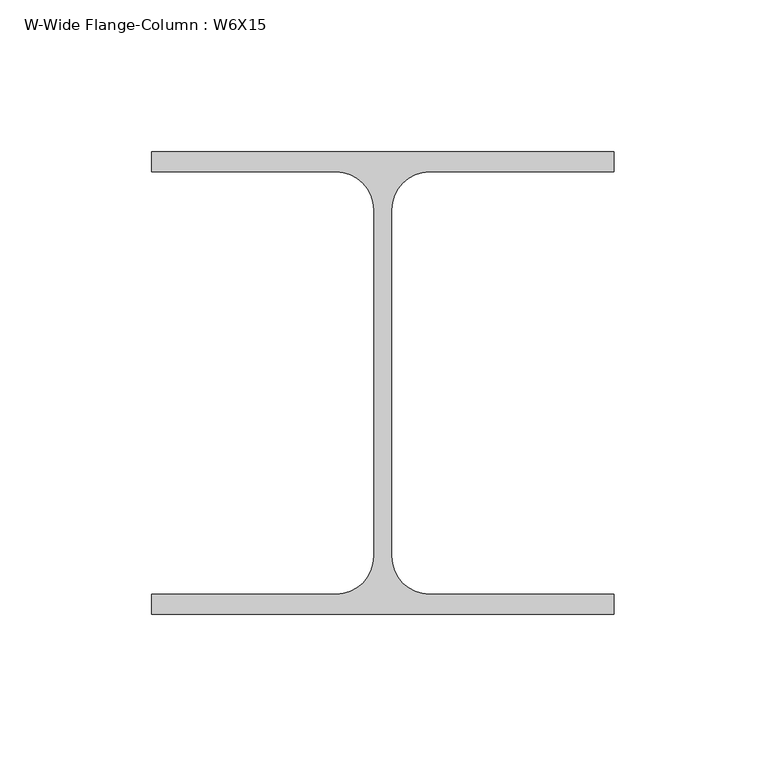
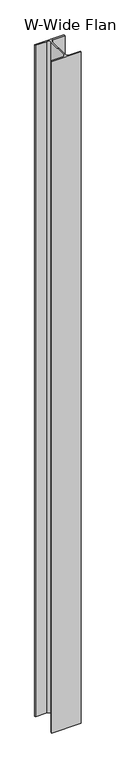
"""IFC4 building model written with IfcOpenShell, lengths in millimetres: column geometry, W-Wide Flange-Column : W6X15."""

import ifcopenshell
import ifcopenshell.guid

model = None  # the IFC model being written
_history = None  # IfcOwnerHistory: only IFC2X3 demands one
_inside = {}  # id of a spatial element -> (the spatial element, [elements in it])
_under = {}  # id of a project, library or spatial element -> (it, [spatial elements below it])
_declared = {}  # id of a project -> (the project, [libraries it declares])
_typed = {}  # id of a type object -> (the type object, [elements of that type])
_made_of = {}  # id of a material, layer set ... -> (it, [elements and type objects made of it])


def new_model(schema):
    """Start an empty IFC model of exactly this schema.

    Asked for "IFC4X3", IfcOpenShell would pick the latest addendum, in which some entities
    have other attributes; the version numbers below select the first issue.
    IFC2X3 requires an IfcOwnerHistory on every rooted entity: one is made here for all.
    """
    global model, _history
    if schema == "IFC4X3":
        model = ifcopenshell.file(schema_version=(4, 3, 0, 0))
    else:
        model = ifcopenshell.file(schema=schema)
    _inside.clear()
    _under.clear()
    _declared.clear()
    _typed.clear()
    _made_of.clear()
    _history = None
    if model.schema == "IFC2X3":
        org = make("IfcOrganization", Name="unknown")
        user = make(
            "IfcPersonAndOrganization",
            ThePerson=make("IfcPerson", FamilyName="unknown"),
            TheOrganization=org,
        )
        app = make(
            "IfcApplication",
            ApplicationDeveloper=org,
            Version="unknown",
            ApplicationFullName="unknown",
            ApplicationIdentifier="unknown",
        )
        _history = make(
            "IfcOwnerHistory",
            OwningUser=user,
            OwningApplication=app,
            ChangeAction="ADDED",
            CreationDate=0,
        )
    return model


def make(cls, **values):
    """One entity of the class cls with the attributes given. An attribute that is None is left unset."""
    return model.create_entity(
        cls, **{name: value for name, value in values.items() if value is not None}
    )


def rooted(cls, **values):
    """An entity with a GlobalId (a new one), such as an element, a storey or a relation."""
    return make(cls, GlobalId=ifcopenshell.guid.new(), OwnerHistory=_history, **values)


def si_unit(unit_type, name, prefix=None):
    """IfcSIUnit, for example si_unit("LENGTHUNIT", "METRE", prefix="MILLI")."""
    return make("IfcSIUnit", UnitType=unit_type, Prefix=prefix, Name=name)


def assignment(units):
    """IfcUnitAssignment: the units of a project."""
    return None if units is None else make("IfcUnitAssignment", Units=units)


def point(xyz):
    """IfcCartesianPoint."""
    return None if xyz is None else make("IfcCartesianPoint", Coordinates=xyz)


def direction(xyz):
    """IfcDirection."""
    return None if xyz is None else make("IfcDirection", DirectionRatios=xyz)


def frame(location, z_axis=None, x_axis=None):
    """IfcAxis2Placement3D, a coordinate frame: its origin and axes. An axis left out is left unset."""
    return make(
        "IfcAxis2Placement3D",
        Location=point(location),
        Axis=direction(z_axis),
        RefDirection=direction(x_axis),
    )


def frame_2d(location, x_axis=None):
    """IfcAxis2Placement2D, a coordinate frame in the plane: its origin and x axis."""
    return make(
        "IfcAxis2Placement2D", Location=point(location), RefDirection=direction(x_axis)
    )


def origin():
    """The frame at (0, 0, 0) with its axes left unset."""
    return frame((0.0, 0.0, 0.0))


def place(relative_to, where):
    """IfcLocalPlacement: puts the frame where relative to a parent placement (None: the world)."""
    return make(
        "IfcLocalPlacement", PlacementRelTo=relative_to, RelativePlacement=where
    )


def context(
    kind, dimensions, precision=None, world=None, true_north=None, identifier=None
):
    """IfcGeometricRepresentationContext, for example the 3D "Model" context."""
    return make(
        "IfcGeometricRepresentationContext",
        ContextIdentifier=identifier,
        ContextType=kind,
        CoordinateSpaceDimension=dimensions,
        Precision=precision,
        WorldCoordinateSystem=world,
        TrueNorth=true_north,
    )


def project(units=None, contexts=None):
    """IfcProject with its units and contexts."""
    return rooted(
        "IfcProject",
        Name="project",
        RepresentationContexts=contexts,
        UnitsInContext=assignment(units),
    )


def spatial(cls, under=None, at=None, **own):
    """A site, building, storey or space (cls), placed at a placement, below another one or the project."""
    s = rooted(cls, ObjectPlacement=at, **own)
    if under is not None:
        _under.setdefault(under.id(), (under, []))[1].append(s)
    return s


def polyline(points):
    """IfcPolyline through the points."""
    return make("IfcPolyline", Points=[point(p) for p in points])


def circle_curve(where, radius):
    """IfcCircle in the frame where."""
    return make("IfcCircle", Position=where, Radius=radius)


def trimmed(basis, trim1, trim2, sense, master):
    """IfcTrimmedCurve: the piece of a basis curve between two trims."""
    return make(
        "IfcTrimmedCurve",
        BasisCurve=basis,
        Trim1=trim1,
        Trim2=trim2,
        SenseAgreement=sense,
        MasterRepresentation=master,
    )


def segment(curve, same_sense, transition):
    """IfcCompositeCurveSegment."""
    return make(
        "IfcCompositeCurveSegment",
        Transition=transition,
        SameSense=same_sense,
        ParentCurve=curve,
    )


def composite_curve(segments, self_intersect=None):
    """IfcCompositeCurve: segments joined end to end."""
    return make("IfcCompositeCurve", Segments=segments, SelfIntersect=self_intersect)


def outline(outer, holes=None, kind="AREA"):
    """IfcArbitraryClosedProfileDef: a profile drawn as a closed curve; with holes, ...WithVoids."""
    if holes is None:
        return make("IfcArbitraryClosedProfileDef", ProfileType=kind, OuterCurve=outer)
    return make(
        "IfcArbitraryProfileDefWithVoids",
        ProfileType=kind,
        OuterCurve=outer,
        InnerCurves=holes,
    )


def extrude(swept, where, along, depth):
    """IfcExtrudedAreaSolid: the profile swept, set in the frame where, extruded along a direction by depth."""
    return make(
        "IfcExtrudedAreaSolid",
        SweptArea=swept,
        Position=where,
        ExtrudedDirection=direction(along),
        Depth=depth,
    )


def shape(context_of_items, identifier, shape_type, items):
    """IfcShapeRepresentation: the items that make up one representation, for example the "Body"."""
    return make(
        "IfcShapeRepresentation",
        ContextOfItems=context_of_items,
        RepresentationIdentifier=identifier,
        RepresentationType=shape_type,
        Items=items,
    )


def source(mapping_origin, context_of_items, identifier, shape_type, items):
    """IfcRepresentationMap: a shape defined once, which mapped items show again and again."""
    return make(
        "IfcRepresentationMap",
        MappingOrigin=mapping_origin,
        MappedRepresentation=shape(context_of_items, identifier, shape_type, items),
    )


def transform(
    local_origin,
    x_axis=None,
    y_axis=None,
    z_axis=None,
    scale=None,
    scale2=None,
    scale3=None,
    uniform=True,
):
    """IfcCartesianTransformationOperator3D, or its non-uniform kind. x_axis, y_axis, z_axis: its Axis1, 2, 3."""
    if uniform:
        return make(
            "IfcCartesianTransformationOperator3D",
            Axis1=direction(x_axis),
            Axis2=direction(y_axis),
            LocalOrigin=point(local_origin),
            Scale=scale,
            Axis3=direction(z_axis),
        )
    return make(
        "IfcCartesianTransformationOperator3DnonUniform",
        Axis1=direction(x_axis),
        Axis2=direction(y_axis),
        LocalOrigin=point(local_origin),
        Scale=scale,
        Axis3=direction(z_axis),
        Scale2=scale2,
        Scale3=scale3,
    )


def mapped(mapping_source, mapping_target):
    """IfcMappedItem: shows the shape of a source again, moved by a transform."""
    return make(
        "IfcMappedItem", MappingSource=mapping_source, MappingTarget=mapping_target
    )


def made_of(thing, what):
    """Note that an element or type object is made of a material, layer set ...; save() writes the relation."""
    if what is not None:
        _made_of.setdefault(what.id(), (what, []))[1].append(thing)
    return thing


def element(
    cls,
    number,
    at=None,
    inside=None,
    cuts=None,
    type_object=None,
    material=None,
    context=None,
    identifier="Body",
    shape_type=None,
    held_by="IfcProductDefinitionShape",
    body=None,
    shapes=None,
    **own,
):
    """One element of the class cls, such as IfcWall. Its Tag is "e" and its number.

    at: its placement. inside: the storey or other place that contains it. cuts: it is an
    opening in that element (IfcRelVoidsElement). A single representation is given by context,
    identifier, shape_type and body (its items); several are given by shapes. held_by: the class
    of the entity that holds the representations. save() writes the other relations.
    """
    e = rooted(cls, Tag="e%d" % number, ObjectPlacement=at, **own)
    if body is not None:
        shapes = [shape(context, identifier, shape_type, body)]
    if shapes is not None:
        e.Representation = make(held_by, Representations=shapes)
    if inside is not None:
        _inside.setdefault(inside.id(), (inside, []))[1].append(e)
    if cuts is not None:
        rooted(
            "IfcRelVoidsElement", RelatingBuildingElement=cuts, RelatedOpeningElement=e
        )
    if type_object is not None:
        _typed.setdefault(type_object.id(), (type_object, []))[1].append(e)
    return made_of(e, material)


def aggregate(whole, parts):
    """IfcRelAggregates: a whole, such as a stair, and the parts it consists of."""
    return rooted("IfcRelAggregates", RelatingObject=whole, RelatedObjects=parts)


def save(model, path):
    """Write the relations noted so far, then the file.

    IfcRelAggregates (storeys below a building ...), IfcRelContainedInSpatialStructure (elements
    in a storey), IfcRelDefinesByType, IfcRelAssociatesMaterial and IfcRelDeclares: one each for
    every whole, place, type object, material and project.
    """
    for whole, parts in _under.values():
        aggregate(whole, parts)
    for where, things in _inside.values():
        rooted(
            "IfcRelContainedInSpatialStructure",
            RelatedElements=things,
            RelatingStructure=where,
        )
    for kind, things in _typed.values():
        rooted("IfcRelDefinesByType", RelatedObjects=things, RelatingType=kind)
    for what, things in _made_of.values():
        rooted("IfcRelAssociatesMaterial", RelatedObjects=things, RelatingMaterial=what)
    for by, libraries in _declared.values():
        rooted("IfcRelDeclares", RelatingContext=by, RelatedDefinitions=libraries)
    model.write(path)


def w_wide_flange_column_w6x15_eb3079b5(model_context):
    return source(origin(), model_context, "Body", "SweptSolid", [
        extrude(outline(composite_curve([segment(polyline([(76.073, 76.073), (76.073, 69.469), (15.367, 69.469)]), True, "CONTINUOUS"), segment(trimmed(circle_curve(frame_2d((15.367, 57.023)), 12.446), [point((15.367, 69.469))], [point((2.921, 57.023))], True, "CARTESIAN"), True, "CONTINUOUS"), segment(polyline([(2.921, 57.023), (2.921, -57.023)]), True, "CONTINUOUS"), segment(trimmed(circle_curve(frame_2d((15.367, -57.023)), 12.446), [point((2.921, -57.023))], [point((15.367, -69.469))], True, "CARTESIAN"), True, "CONTINUOUS"), segment(polyline([(15.367, -69.469), (76.073, -69.469), (76.073, -76.073), (-76.073, -76.073), (-76.073, -69.469), (-15.367, -69.469)]), True, "CONTINUOUS"), segment(trimmed(circle_curve(frame_2d((-15.367, -57.023)), 12.446), [point((-15.367, -69.469))], [point((-2.921, -57.023))], True, "CARTESIAN"), True, "CONTINUOUS"), segment(polyline([(-2.921, -57.023), (-2.921, 57.023)]), True, "CONTINUOUS"), segment(trimmed(circle_curve(frame_2d((-15.367, 57.023)), 12.446), [point((-2.921, 57.023))], [point((-15.367, 69.469))], True, "CARTESIAN"), True, "CONTINUOUS"), segment(polyline([(-15.367, 69.469), (-76.073, 69.469), (-76.073, 76.073), (76.073, 76.073)]), True, "CONTINUOUS")], self_intersect=False)), frame((0.0, 0.0, 3657.6), z_axis=(0.0, 0.0, 1.0), x_axis=(1.0, 0.0, 0.0)), (0.0, 0.0, 1.0), 3657.6),
    ])


if __name__ == "__main__":
    model = new_model("IFC4")
    model_context = context("Model", 3, world=origin())
    ifc_project = project(units=[si_unit("LENGTHUNIT", "METRE", prefix="MILLI")], contexts=[model_context])
    site = spatial("IfcSite", under=ifc_project)
    building = spatial("IfcBuilding", under=site)
    placement = place(None, origin())
    w_wide_flange_column_w6x15_shape = w_wide_flange_column_w6x15_eb3079b5(model_context)
    element("IfcColumn", 1, ObjectType="W-Wide Flange-Column : W6X15", at=placement, inside=building, context=model_context, shape_type="MappedRepresentation", body=[
        mapped(w_wide_flange_column_w6x15_shape, transform((0.0, 0.0, 0.0), x_axis=(1.0, 0.0, 0.0), y_axis=(0.0, 1.0, 0.0), z_axis=(0.0, 0.0, 1.0))),
    ])
    save(model, "model.ifc")
